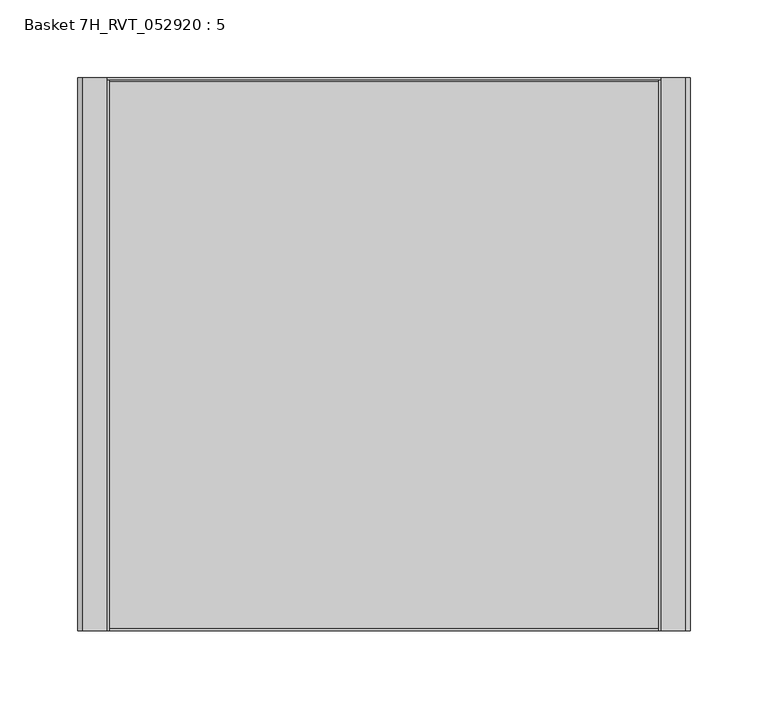
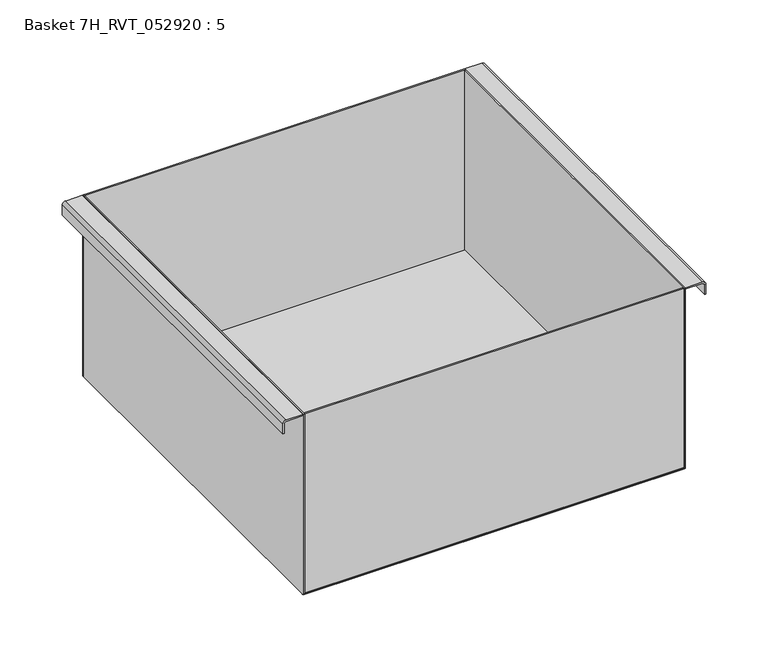
"""IFC4 building model written with IfcOpenShell, lengths in millimetres: furniture geometry, Basket 7H_RVT_052920 : 5."""

from ifc_helpers import new_model, si_unit, point, frame, frame_2d, origin, origin_with_axes, place, context, project, spatial, polyline, circle_curve, trimmed, segment, composite_curve, outline, extrude, source, transform, mapped, element, save


def basket_7h_rvt_052920_5_282b39c9(model_context):
    return source(origin(), model_context, "Body", "SweptSolid", [
        extrude(outline(polyline([(-177.8, 354.3101563), (-177.8, 355.6), (177.8, 355.6), (177.8, 354.3101563), (-177.8, 354.3101563)])), origin_with_axes(), (0.0, 0.0, 1.0), 177.8),
        extrude(outline(polyline([(176.5101563, 0.0), (-176.5101562, 0.0), (-176.5101562, 353.0401562), (176.5101563, 353.0401562), (176.5101563, 0.0)])), origin_with_axes(), (0.0, 0.0, 1.0), 1.27),
        extrude(outline(polyline([(176.5101563, 355.6), (177.8, 355.6), (177.8, 0.0), (176.5101563, 0.0), (176.5101563, 355.6)])), origin_with_axes(), (0.0, 0.0, 1.0), 177.8),
        extrude(outline(polyline([(-176.5101562, 0.0), (-177.8, 0.0), (-177.8, 355.6), (-176.5101562, 355.6), (-176.5101562, 0.0)])), origin_with_axes(), (0.0, 0.0, 1.0), 177.8),
        extrude(outline(composite_curve([segment(trimmed(circle_curve(frame_2d((174.5814173, -193.6314173)), 3.2185827), [point((177.8, -193.6314173))], [point((174.5814173, -196.85))], False, "CARTESIAN"), True, "CONTINUOUS"), segment(polyline([(174.5814173, -196.85), (165.1, -196.85), (165.1, -195.5601562), (174.5814173, -195.5601562)]), True, "CONTINUOUS"), segment(trimmed(circle_curve(frame_2d((174.5814173, -193.6314173)), 1.9287389), [point((174.5814173, -195.5601562))], [point((176.5101563, -193.6314173))], True, "CARTESIAN"), True, "CONTINUOUS"), segment(polyline([(176.5101563, -193.6314173), (176.5101563, -177.8), (177.8, -177.8), (177.8, -193.6314173)]), True, "CONTINUOUS")], self_intersect=False)), frame((0.0, 0.0, 0.0), z_axis=(0.0, 1.0, 0.0), x_axis=(0.0, 0.0, 1.0)), (0.0, 0.0, 1.0), 355.6),
        extrude(outline(composite_curve([segment(polyline([(177.8, 193.6314173), (177.8, 177.8), (176.5101562, 177.8), (176.5101563, 193.6314173)]), True, "CONTINUOUS"), segment(trimmed(circle_curve(frame_2d((174.5814173, 193.6314173)), 1.9287389), [point((176.5101563, 193.6314173))], [point((174.5814173, 195.5601563))], True, "CARTESIAN"), True, "CONTINUOUS"), segment(polyline([(174.5814173, 195.5601563), (165.1, 195.5601562), (165.1, 196.85), (174.5814173, 196.85)]), True, "CONTINUOUS"), segment(trimmed(circle_curve(frame_2d((174.5814173, 193.6314173)), 3.2185827), [point((174.5814173, 196.85))], [point((177.8, 193.6314173))], False, "CARTESIAN"), True, "CONTINUOUS")], self_intersect=False)), frame((0.0, 0.0, 0.0), z_axis=(0.0, 1.0, 0.0), x_axis=(0.0, 0.0, 1.0)), (0.0, 0.0, 1.0), 355.6),
        extrude(outline(polyline([(177.8, 1.27), (177.8, 0.0), (-177.8, 0.0), (-177.8, 1.27), (177.8, 1.27)])), origin_with_axes(), (0.0, 0.0, 1.0), 177.8),
    ])


if __name__ == "__main__":
    model = new_model("IFC4")
    model_context = context("Model", 3, world=origin())
    ifc_project = project(units=[si_unit("LENGTHUNIT", "METRE", prefix="MILLI")], contexts=[model_context])
    site = spatial("IfcSite", under=ifc_project)
    building = spatial("IfcBuilding", under=site)
    placement = place(None, origin())
    basket_7h_rvt_052920_5_shape = basket_7h_rvt_052920_5_282b39c9(model_context)
    element("IfcFurniture", 1, ObjectType="Basket 7H_RVT_052920 : 5", at=placement, inside=building, context=model_context, shape_type="MappedRepresentation", body=[
        mapped(basket_7h_rvt_052920_5_shape, transform((0.0, 0.0, 0.0), x_axis=(1.0, 0.0, 0.0), y_axis=(0.0, 1.0, 0.0), z_axis=(0.0, 0.0, 1.0))),
    ])
    save(model, "model.ifc")
